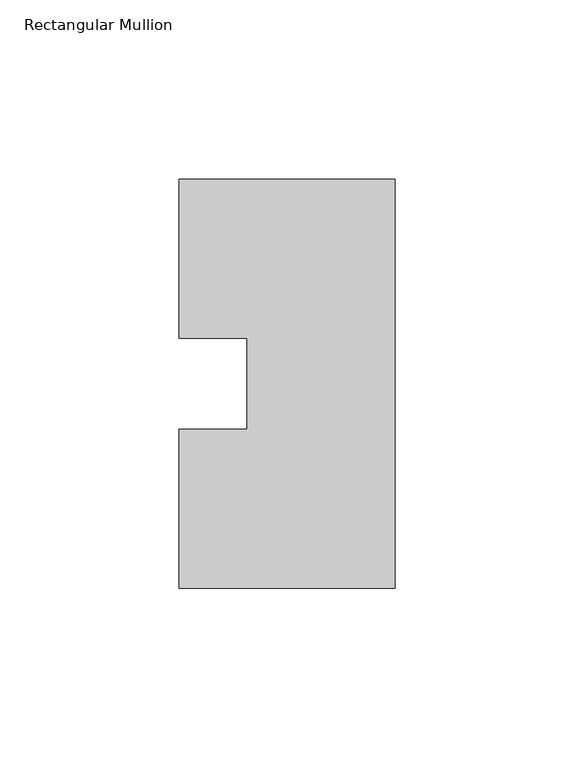
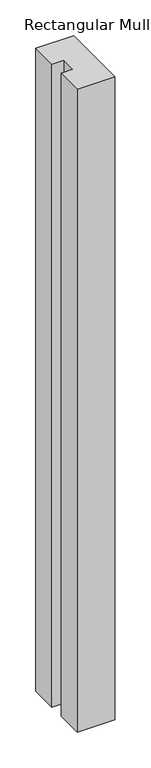
"""IFC4 building model written with IfcOpenShell, lengths in millimetres: member geometry, Rectangular Mullion."""

import ifcopenshell
import ifcopenshell.guid

model = None  # the IFC model being written
_history = None  # IfcOwnerHistory: only IFC2X3 demands one
_inside = {}  # id of a spatial element -> (the spatial element, [elements in it])
_under = {}  # id of a project, library or spatial element -> (it, [spatial elements below it])
_declared = {}  # id of a project -> (the project, [libraries it declares])
_typed = {}  # id of a type object -> (the type object, [elements of that type])
_made_of = {}  # id of a material, layer set ... -> (it, [elements and type objects made of it])


def new_model(schema):
    """Start an empty IFC model of exactly this schema.

    Asked for "IFC4X3", IfcOpenShell would pick the latest addendum, in which some entities
    have other attributes; the version numbers below select the first issue.
    IFC2X3 requires an IfcOwnerHistory on every rooted entity: one is made here for all.
    """
    global model, _history
    if schema == "IFC4X3":
        model = ifcopenshell.file(schema_version=(4, 3, 0, 0))
    else:
        model = ifcopenshell.file(schema=schema)
    _inside.clear()
    _under.clear()
    _declared.clear()
    _typed.clear()
    _made_of.clear()
    _history = None
    if model.schema == "IFC2X3":
        org = make("IfcOrganization", Name="unknown")
        user = make(
            "IfcPersonAndOrganization",
            ThePerson=make("IfcPerson", FamilyName="unknown"),
            TheOrganization=org,
        )
        app = make(
            "IfcApplication",
            ApplicationDeveloper=org,
            Version="unknown",
            ApplicationFullName="unknown",
            ApplicationIdentifier="unknown",
        )
        _history = make(
            "IfcOwnerHistory",
            OwningUser=user,
            OwningApplication=app,
            ChangeAction="ADDED",
            CreationDate=0,
        )
    return model


def make(cls, **values):
    """One entity of the class cls with the attributes given. An attribute that is None is left unset."""
    return model.create_entity(
        cls, **{name: value for name, value in values.items() if value is not None}
    )


def rooted(cls, **values):
    """An entity with a GlobalId (a new one), such as an element, a storey or a relation."""
    return make(cls, GlobalId=ifcopenshell.guid.new(), OwnerHistory=_history, **values)


def si_unit(unit_type, name, prefix=None):
    """IfcSIUnit, for example si_unit("LENGTHUNIT", "METRE", prefix="MILLI")."""
    return make("IfcSIUnit", UnitType=unit_type, Prefix=prefix, Name=name)


def assignment(units):
    """IfcUnitAssignment: the units of a project."""
    return None if units is None else make("IfcUnitAssignment", Units=units)


def point(xyz):
    """IfcCartesianPoint."""
    return None if xyz is None else make("IfcCartesianPoint", Coordinates=xyz)


def direction(xyz):
    """IfcDirection."""
    return None if xyz is None else make("IfcDirection", DirectionRatios=xyz)


def frame(location, z_axis=None, x_axis=None):
    """IfcAxis2Placement3D, a coordinate frame: its origin and axes. An axis left out is left unset."""
    return make(
        "IfcAxis2Placement3D",
        Location=point(location),
        Axis=direction(z_axis),
        RefDirection=direction(x_axis),
    )


def origin():
    """The frame at (0, 0, 0) with its axes left unset."""
    return frame((0.0, 0.0, 0.0))


def place(relative_to, where):
    """IfcLocalPlacement: puts the frame where relative to a parent placement (None: the world)."""
    return make(
        "IfcLocalPlacement", PlacementRelTo=relative_to, RelativePlacement=where
    )


def context(
    kind, dimensions, precision=None, world=None, true_north=None, identifier=None
):
    """IfcGeometricRepresentationContext, for example the 3D "Model" context."""
    return make(
        "IfcGeometricRepresentationContext",
        ContextIdentifier=identifier,
        ContextType=kind,
        CoordinateSpaceDimension=dimensions,
        Precision=precision,
        WorldCoordinateSystem=world,
        TrueNorth=true_north,
    )


def project(units=None, contexts=None):
    """IfcProject with its units and contexts."""
    return rooted(
        "IfcProject",
        Name="project",
        RepresentationContexts=contexts,
        UnitsInContext=assignment(units),
    )


def spatial(cls, under=None, at=None, **own):
    """A site, building, storey or space (cls), placed at a placement, below another one or the project."""
    s = rooted(cls, ObjectPlacement=at, **own)
    if under is not None:
        _under.setdefault(under.id(), (under, []))[1].append(s)
    return s


def polyline(points):
    """IfcPolyline through the points."""
    return make("IfcPolyline", Points=[point(p) for p in points])


def outline(outer, holes=None, kind="AREA"):
    """IfcArbitraryClosedProfileDef: a profile drawn as a closed curve; with holes, ...WithVoids."""
    if holes is None:
        return make("IfcArbitraryClosedProfileDef", ProfileType=kind, OuterCurve=outer)
    return make(
        "IfcArbitraryProfileDefWithVoids",
        ProfileType=kind,
        OuterCurve=outer,
        InnerCurves=holes,
    )


def extrude(swept, where, along, depth):
    """IfcExtrudedAreaSolid: the profile swept, set in the frame where, extruded along a direction by depth."""
    return make(
        "IfcExtrudedAreaSolid",
        SweptArea=swept,
        Position=where,
        ExtrudedDirection=direction(along),
        Depth=depth,
    )


def shape(context_of_items, identifier, shape_type, items):
    """IfcShapeRepresentation: the items that make up one representation, for example the "Body"."""
    return make(
        "IfcShapeRepresentation",
        ContextOfItems=context_of_items,
        RepresentationIdentifier=identifier,
        RepresentationType=shape_type,
        Items=items,
    )


def source(mapping_origin, context_of_items, identifier, shape_type, items):
    """IfcRepresentationMap: a shape defined once, which mapped items show again and again."""
    return make(
        "IfcRepresentationMap",
        MappingOrigin=mapping_origin,
        MappedRepresentation=shape(context_of_items, identifier, shape_type, items),
    )


def transform(
    local_origin,
    x_axis=None,
    y_axis=None,
    z_axis=None,
    scale=None,
    scale2=None,
    scale3=None,
    uniform=True,
):
    """IfcCartesianTransformationOperator3D, or its non-uniform kind. x_axis, y_axis, z_axis: its Axis1, 2, 3."""
    if uniform:
        return make(
            "IfcCartesianTransformationOperator3D",
            Axis1=direction(x_axis),
            Axis2=direction(y_axis),
            LocalOrigin=point(local_origin),
            Scale=scale,
            Axis3=direction(z_axis),
        )
    return make(
        "IfcCartesianTransformationOperator3DnonUniform",
        Axis1=direction(x_axis),
        Axis2=direction(y_axis),
        LocalOrigin=point(local_origin),
        Scale=scale,
        Axis3=direction(z_axis),
        Scale2=scale2,
        Scale3=scale3,
    )


def mapped(mapping_source, mapping_target):
    """IfcMappedItem: shows the shape of a source again, moved by a transform."""
    return make(
        "IfcMappedItem", MappingSource=mapping_source, MappingTarget=mapping_target
    )


def made_of(thing, what):
    """Note that an element or type object is made of a material, layer set ...; save() writes the relation."""
    if what is not None:
        _made_of.setdefault(what.id(), (what, []))[1].append(thing)
    return thing


def element(
    cls,
    number,
    at=None,
    inside=None,
    cuts=None,
    type_object=None,
    material=None,
    context=None,
    identifier="Body",
    shape_type=None,
    held_by="IfcProductDefinitionShape",
    body=None,
    shapes=None,
    **own,
):
    """One element of the class cls, such as IfcWall. Its Tag is "e" and its number.

    at: its placement. inside: the storey or other place that contains it. cuts: it is an
    opening in that element (IfcRelVoidsElement). A single representation is given by context,
    identifier, shape_type and body (its items); several are given by shapes. held_by: the class
    of the entity that holds the representations. save() writes the other relations.
    """
    e = rooted(cls, Tag="e%d" % number, ObjectPlacement=at, **own)
    if body is not None:
        shapes = [shape(context, identifier, shape_type, body)]
    if shapes is not None:
        e.Representation = make(held_by, Representations=shapes)
    if inside is not None:
        _inside.setdefault(inside.id(), (inside, []))[1].append(e)
    if cuts is not None:
        rooted(
            "IfcRelVoidsElement", RelatingBuildingElement=cuts, RelatedOpeningElement=e
        )
    if type_object is not None:
        _typed.setdefault(type_object.id(), (type_object, []))[1].append(e)
    return made_of(e, material)


def aggregate(whole, parts):
    """IfcRelAggregates: a whole, such as a stair, and the parts it consists of."""
    return rooted("IfcRelAggregates", RelatingObject=whole, RelatedObjects=parts)


def save(model, path):
    """Write the relations noted so far, then the file.

    IfcRelAggregates (storeys below a building ...), IfcRelContainedInSpatialStructure (elements
    in a storey), IfcRelDefinesByType, IfcRelAssociatesMaterial and IfcRelDeclares: one each for
    every whole, place, type object, material and project.
    """
    for whole, parts in _under.values():
        aggregate(whole, parts)
    for where, things in _inside.values():
        rooted(
            "IfcRelContainedInSpatialStructure",
            RelatedElements=things,
            RelatingStructure=where,
        )
    for kind, things in _typed.values():
        rooted("IfcRelDefinesByType", RelatedObjects=things, RelatingType=kind)
    for what, things in _made_of.values():
        rooted("IfcRelAssociatesMaterial", RelatedObjects=things, RelatingMaterial=what)
    for by, libraries in _declared.values():
        rooted("IfcRelDeclares", RelatingContext=by, RelatedDefinitions=libraries)
    model.write(path)


def rectangular_mullion_e41775dd(model_context):
    return source(origin(), model_context, "Body", "SweptSolid", [
        extrude(outline(polyline([(-60.325, 57.15), (0.0, 57.15), (0.0, -57.15), (-60.325, -57.15), (-60.325, -12.7), (-41.275, -12.7), (-41.275, 12.7), (-60.325, 12.7), (-60.325, 57.15)])), frame((0.0, 0.0, -1091.0405973), z_axis=(0.0, 0.0, 1.0), x_axis=(1.0, 0.0, 0.0)), (0.0, 0.0, 1.0), 1091.0405973),
    ])


if __name__ == "__main__":
    model = new_model("IFC4")
    model_context = context("Model", 3, world=origin())
    ifc_project = project(units=[si_unit("LENGTHUNIT", "METRE", prefix="MILLI")], contexts=[model_context])
    site = spatial("IfcSite", under=ifc_project)
    building = spatial("IfcBuilding", under=site)
    placement = place(None, origin())
    rectangular_mullion_shape = rectangular_mullion_e41775dd(model_context)
    element("IfcMember", 1, ObjectType="Rectangular Mullion", at=placement, inside=building, context=model_context, shape_type="MappedRepresentation", body=[
        mapped(rectangular_mullion_shape, transform((0.0, 0.0, 0.0), x_axis=(1.0, 0.0, 0.0), y_axis=(0.0, 1.0, 0.0), z_axis=(0.0, 0.0, 1.0))),
    ])
    save(model, "model.ifc")
